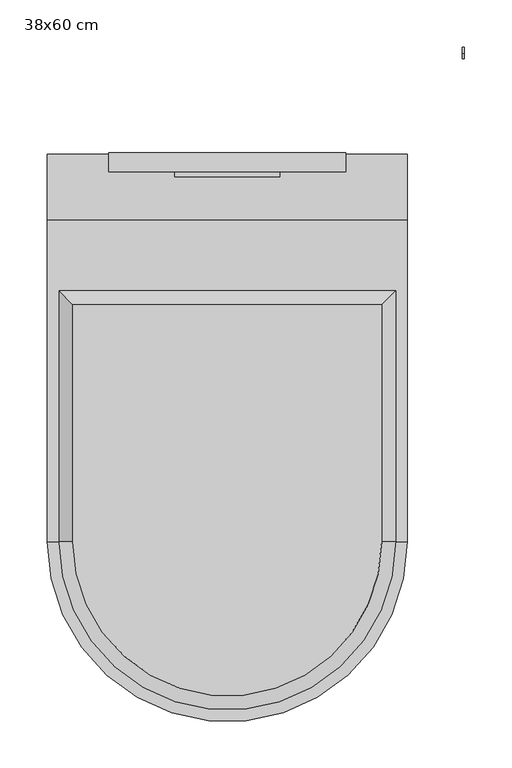
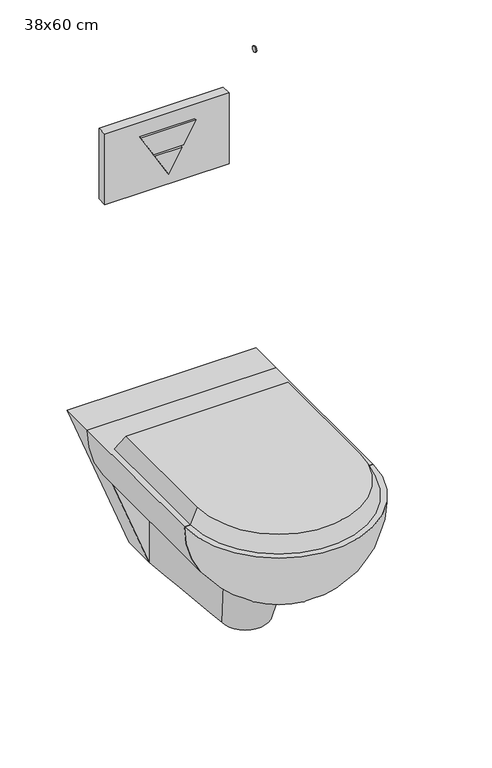
"""IFC4 building model written with IfcOpenShell, lengths in millimetres: flow terminal geometry, 38x60 cm."""

import ifcopenshell
import ifcopenshell.guid

model = None  # the IFC model being written
_history = None  # IfcOwnerHistory: only IFC2X3 demands one
_inside = {}  # id of a spatial element -> (the spatial element, [elements in it])
_under = {}  # id of a project, library or spatial element -> (it, [spatial elements below it])
_declared = {}  # id of a project -> (the project, [libraries it declares])
_typed = {}  # id of a type object -> (the type object, [elements of that type])
_made_of = {}  # id of a material, layer set ... -> (it, [elements and type objects made of it])


def new_model(schema):
    """Start an empty IFC model of exactly this schema.

    Asked for "IFC4X3", IfcOpenShell would pick the latest addendum, in which some entities
    have other attributes; the version numbers below select the first issue.
    IFC2X3 requires an IfcOwnerHistory on every rooted entity: one is made here for all.
    """
    global model, _history
    if schema == "IFC4X3":
        model = ifcopenshell.file(schema_version=(4, 3, 0, 0))
    else:
        model = ifcopenshell.file(schema=schema)
    _inside.clear()
    _under.clear()
    _declared.clear()
    _typed.clear()
    _made_of.clear()
    _history = None
    if model.schema == "IFC2X3":
        org = make("IfcOrganization", Name="unknown")
        user = make(
            "IfcPersonAndOrganization",
            ThePerson=make("IfcPerson", FamilyName="unknown"),
            TheOrganization=org,
        )
        app = make(
            "IfcApplication",
            ApplicationDeveloper=org,
            Version="unknown",
            ApplicationFullName="unknown",
            ApplicationIdentifier="unknown",
        )
        _history = make(
            "IfcOwnerHistory",
            OwningUser=user,
            OwningApplication=app,
            ChangeAction="ADDED",
            CreationDate=0,
        )
    return model


def make(cls, **values):
    """One entity of the class cls with the attributes given. An attribute that is None is left unset."""
    return model.create_entity(
        cls, **{name: value for name, value in values.items() if value is not None}
    )


def rooted(cls, **values):
    """An entity with a GlobalId (a new one), such as an element, a storey or a relation."""
    return make(cls, GlobalId=ifcopenshell.guid.new(), OwnerHistory=_history, **values)


def si_unit(unit_type, name, prefix=None):
    """IfcSIUnit, for example si_unit("LENGTHUNIT", "METRE", prefix="MILLI")."""
    return make("IfcSIUnit", UnitType=unit_type, Prefix=prefix, Name=name)


def assignment(units):
    """IfcUnitAssignment: the units of a project."""
    return None if units is None else make("IfcUnitAssignment", Units=units)


def point(xyz):
    """IfcCartesianPoint."""
    return None if xyz is None else make("IfcCartesianPoint", Coordinates=xyz)


def direction(xyz):
    """IfcDirection."""
    return None if xyz is None else make("IfcDirection", DirectionRatios=xyz)


def frame(location, z_axis=None, x_axis=None):
    """IfcAxis2Placement3D, a coordinate frame: its origin and axes. An axis left out is left unset."""
    return make(
        "IfcAxis2Placement3D",
        Location=point(location),
        Axis=direction(z_axis),
        RefDirection=direction(x_axis),
    )


def frame_2d(location, x_axis=None):
    """IfcAxis2Placement2D, a coordinate frame in the plane: its origin and x axis."""
    return make(
        "IfcAxis2Placement2D", Location=point(location), RefDirection=direction(x_axis)
    )


def origin():
    """The frame at (0, 0, 0) with its axes left unset."""
    return frame((0.0, 0.0, 0.0))


def place(relative_to, where):
    """IfcLocalPlacement: puts the frame where relative to a parent placement (None: the world)."""
    return make(
        "IfcLocalPlacement", PlacementRelTo=relative_to, RelativePlacement=where
    )


def context(
    kind, dimensions, precision=None, world=None, true_north=None, identifier=None
):
    """IfcGeometricRepresentationContext, for example the 3D "Model" context."""
    return make(
        "IfcGeometricRepresentationContext",
        ContextIdentifier=identifier,
        ContextType=kind,
        CoordinateSpaceDimension=dimensions,
        Precision=precision,
        WorldCoordinateSystem=world,
        TrueNorth=true_north,
    )


def project(units=None, contexts=None):
    """IfcProject with its units and contexts."""
    return rooted(
        "IfcProject",
        Name="project",
        RepresentationContexts=contexts,
        UnitsInContext=assignment(units),
    )


def spatial(cls, under=None, at=None, **own):
    """A site, building, storey or space (cls), placed at a placement, below another one or the project."""
    s = rooted(cls, ObjectPlacement=at, **own)
    if under is not None:
        _under.setdefault(under.id(), (under, []))[1].append(s)
    return s


def polyline(points):
    """IfcPolyline through the points."""
    return make("IfcPolyline", Points=[point(p) for p in points])


def circle_curve(where, radius):
    """IfcCircle in the frame where."""
    return make("IfcCircle", Position=where, Radius=radius)


def ellipse_curve(where, semi_axis1, semi_axis2):
    """IfcEllipse in the frame where."""
    return make(
        "IfcEllipse", Position=where, SemiAxis1=semi_axis1, SemiAxis2=semi_axis2
    )


def trimmed(basis, trim1, trim2, sense, master):
    """IfcTrimmedCurve: the piece of a basis curve between two trims."""
    return make(
        "IfcTrimmedCurve",
        BasisCurve=basis,
        Trim1=trim1,
        Trim2=trim2,
        SenseAgreement=sense,
        MasterRepresentation=master,
    )


def segment(curve, same_sense, transition):
    """IfcCompositeCurveSegment."""
    return make(
        "IfcCompositeCurveSegment",
        Transition=transition,
        SameSense=same_sense,
        ParentCurve=curve,
    )


def composite_curve(segments, self_intersect=None):
    """IfcCompositeCurve: segments joined end to end."""
    return make("IfcCompositeCurve", Segments=segments, SelfIntersect=self_intersect)


def outline(outer, holes=None, kind="AREA"):
    """IfcArbitraryClosedProfileDef: a profile drawn as a closed curve; with holes, ...WithVoids."""
    if holes is None:
        return make("IfcArbitraryClosedProfileDef", ProfileType=kind, OuterCurve=outer)
    return make(
        "IfcArbitraryProfileDefWithVoids",
        ProfileType=kind,
        OuterCurve=outer,
        InnerCurves=holes,
    )


def extrude(swept, where, along, depth):
    """IfcExtrudedAreaSolid: the profile swept, set in the frame where, extruded along a direction by depth."""
    return make(
        "IfcExtrudedAreaSolid",
        SweptArea=swept,
        Position=where,
        ExtrudedDirection=direction(along),
        Depth=depth,
    )


def shape(context_of_items, identifier, shape_type, items):
    """IfcShapeRepresentation: the items that make up one representation, for example the "Body"."""
    return make(
        "IfcShapeRepresentation",
        ContextOfItems=context_of_items,
        RepresentationIdentifier=identifier,
        RepresentationType=shape_type,
        Items=items,
    )


def source(mapping_origin, context_of_items, identifier, shape_type, items):
    """IfcRepresentationMap: a shape defined once, which mapped items show again and again."""
    return make(
        "IfcRepresentationMap",
        MappingOrigin=mapping_origin,
        MappedRepresentation=shape(context_of_items, identifier, shape_type, items),
    )


def transform(
    local_origin,
    x_axis=None,
    y_axis=None,
    z_axis=None,
    scale=None,
    scale2=None,
    scale3=None,
    uniform=True,
):
    """IfcCartesianTransformationOperator3D, or its non-uniform kind. x_axis, y_axis, z_axis: its Axis1, 2, 3."""
    if uniform:
        return make(
            "IfcCartesianTransformationOperator3D",
            Axis1=direction(x_axis),
            Axis2=direction(y_axis),
            LocalOrigin=point(local_origin),
            Scale=scale,
            Axis3=direction(z_axis),
        )
    return make(
        "IfcCartesianTransformationOperator3DnonUniform",
        Axis1=direction(x_axis),
        Axis2=direction(y_axis),
        LocalOrigin=point(local_origin),
        Scale=scale,
        Axis3=direction(z_axis),
        Scale2=scale2,
        Scale3=scale3,
    )


def mapped(mapping_source, mapping_target):
    """IfcMappedItem: shows the shape of a source again, moved by a transform."""
    return make(
        "IfcMappedItem", MappingSource=mapping_source, MappingTarget=mapping_target
    )


def made_of(thing, what):
    """Note that an element or type object is made of a material, layer set ...; save() writes the relation."""
    if what is not None:
        _made_of.setdefault(what.id(), (what, []))[1].append(thing)
    return thing


def element(
    cls,
    number,
    at=None,
    inside=None,
    cuts=None,
    type_object=None,
    material=None,
    context=None,
    identifier="Body",
    shape_type=None,
    held_by="IfcProductDefinitionShape",
    body=None,
    shapes=None,
    **own,
):
    """One element of the class cls, such as IfcWall. Its Tag is "e" and its number.

    at: its placement. inside: the storey or other place that contains it. cuts: it is an
    opening in that element (IfcRelVoidsElement). A single representation is given by context,
    identifier, shape_type and body (its items); several are given by shapes. held_by: the class
    of the entity that holds the representations. save() writes the other relations.
    """
    e = rooted(cls, Tag="e%d" % number, ObjectPlacement=at, **own)
    if body is not None:
        shapes = [shape(context, identifier, shape_type, body)]
    if shapes is not None:
        e.Representation = make(held_by, Representations=shapes)
    if inside is not None:
        _inside.setdefault(inside.id(), (inside, []))[1].append(e)
    if cuts is not None:
        rooted(
            "IfcRelVoidsElement", RelatingBuildingElement=cuts, RelatedOpeningElement=e
        )
    if type_object is not None:
        _typed.setdefault(type_object.id(), (type_object, []))[1].append(e)
    return made_of(e, material)


def aggregate(whole, parts):
    """IfcRelAggregates: a whole, such as a stair, and the parts it consists of."""
    return rooted("IfcRelAggregates", RelatingObject=whole, RelatedObjects=parts)


def save(model, path):
    """Write the relations noted so far, then the file.

    IfcRelAggregates (storeys below a building ...), IfcRelContainedInSpatialStructure (elements
    in a storey), IfcRelDefinesByType, IfcRelAssociatesMaterial and IfcRelDeclares: one each for
    every whole, place, type object, material and project.
    """
    for whole, parts in _under.values():
        aggregate(whole, parts)
    for where, things in _inside.values():
        rooted(
            "IfcRelContainedInSpatialStructure",
            RelatedElements=things,
            RelatingStructure=where,
        )
    for kind, things in _typed.values():
        rooted("IfcRelDefinesByType", RelatedObjects=things, RelatingType=kind)
    for what, things in _made_of.values():
        rooted("IfcRelAssociatesMaterial", RelatedObjects=things, RelatingMaterial=what)
    for by, libraries in _declared.values():
        rooted("IfcRelDeclares", RelatingContext=by, RelatedDefinitions=libraries)
    model.write(path)


def plane_surface(at):
    """IfcPlane: the flat surface through the origin of the frame at, square to its z axis."""
    return make("IfcPlane", Position=at)


def revolved_surface(curve, axis_point, axis_direction):
    """IfcSurfaceOfRevolution: the curve turned about the line through axis_point along axis_direction."""
    return make(
        "IfcSurfaceOfRevolution",
        SweptCurve=make("IfcArbitraryOpenProfileDef", ProfileType="CURVE", Curve=curve),
        AxisPosition=make("IfcAxis1Placement", Location=point(axis_point), Axis=direction(axis_direction)),
    )


def spline_surface(u_degree, v_degree, points, u_multiplicities, v_multiplicities, u_knots, v_knots, weights=None):
    """IfcBSplineSurfaceWithKnots; with weights, IfcRationalBSplineSurfaceWithKnots. points: one row for each step in u."""
    own = dict(
        UDegree=u_degree,
        VDegree=v_degree,
        ControlPointsList=[[point(p) for p in row] for row in points],
        SurfaceForm="UNSPECIFIED",
        UClosed=False,
        VClosed=False,
        SelfIntersect=False,
        UMultiplicities=u_multiplicities,
        VMultiplicities=v_multiplicities,
        UKnots=u_knots,
        VKnots=v_knots,
        KnotSpec="UNSPECIFIED",
    )
    if weights is None:
        return make("IfcBSplineSurfaceWithKnots", **own)
    return make("IfcRationalBSplineSurfaceWithKnots", WeightsData=weights, **own)


def advanced_brep(points, edges, surfaces, faces):
    """IfcAdvancedBrep: a solid bounded by faces that lie on surfaces and meet in shared edges.

    An edge is (start, end): straight between two places in points (the first is 0);
    or (start, end, curve); or (start, end, curve, False) where it runs against its curve.
    A face is (place in surfaces, loops), or (place, loops, False) where it looks against
    its surface's normal. A loop lists edges by number (the first is 1), with a minus sign
    where the edge is run from its end to its start. The first loop is the outer one.
    """
    corners = [point(p) for p in points]
    vertices = [make("IfcVertexPoint", VertexGeometry=c) for c in corners]
    made = []
    for start, end, *more in edges:
        made.append(
            make(
                "IfcEdgeCurve",
                EdgeStart=vertices[start],
                EdgeEnd=vertices[end],
                EdgeGeometry=more[0] if more else make("IfcPolyline", Points=[corners[start], corners[end]]),
                SameSense=more[1] if len(more) > 1 else True,
            )
        )
    hull = []
    for where, loops, *sense in faces:
        bounds = []
        for j, loop in enumerate(loops):
            ring = [make("IfcOrientedEdge", EdgeElement=made[abs(k) - 1], Orientation=k > 0) for k in loop]
            bounds.append(
                make(
                    "IfcFaceOuterBound" if j == 0 else "IfcFaceBound",
                    Bound=make("IfcEdgeLoop", EdgeList=ring),
                    Orientation=True,
                )
            )
        hull.append(make("IfcAdvancedFace", Bounds=bounds, FaceSurface=surfaces[where], SameSense=sense[0] if sense else True))
    return make("IfcAdvancedBrep", Outer=make("IfcClosedShell", CfsFaces=hull))


def flow_terminal_38x60_cm_9b64988a(model_context):
    return source(origin(), model_context, "Body", "SolidModel", [
        extrude(outline(composite_curve([segment(trimmed(circle_curve(frame_2d((105.5, 918.0)), 6.0), [point((105.5, 912.0))], [point((105.5, 924.0))], False, "CARTESIAN"), True, "CONTINUOUS"), segment(trimmed(circle_curve(frame_2d((105.5, 918.0)), 6.0), [point((105.5, 924.0))], [point((105.5, 912.0))], False, "CARTESIAN"), True, "CONTINUOUS")], self_intersect=False)), frame((248.0, 0.0, 0.0), z_axis=(1.0, 0.0, 0.0), x_axis=(0.0, 1.0, 0.0)), (0.0, 0.0, 1.0), 2.0),
        extrude(outline(polyline([(914.0, 55.4118563), (914.0, -55.4118563), (870.4569939, -30.1873925), (870.4569939, 30.1873925), (914.0, 55.4118563)])), frame((0.0, -25.0, 0.0), z_axis=(0.0, 1.0, 0.0), x_axis=(0.0, 0.0, 1.0)), (0.0, 0.0, 1.0), 5.0),
        extrude(outline(polyline([(866.1734373, -27.7059281), (818.3468746, 0.0), (866.1734373, 27.7059281), (866.1734373, -27.7059281)])), frame((0.0, -25.0, 0.0), z_axis=(0.0, 1.0, 0.0), x_axis=(0.0, 0.0, 1.0)), (0.0, 0.0, 1.0), 5.0),
        extrude(outline(polyline([(125.0, -20.0), (-125.0, -20.0), (-125.0, 0.0), (125.0, 0.0), (125.0, -20.0)])), frame((0.0, 0.0, 794.0), z_axis=(0.0, 0.0, 1.0), x_axis=(1.0, 0.0, 0.0)), (0.0, 0.0, 1.0), 150.0),
        extrude(outline(composite_curve([segment(trimmed(circle_curve(frame_2d((368.0, 0.0)), 190.0), [point((368.0, -190.0))], [point((178.0, 0.0))], False, "CARTESIAN"), True, "CONTINUOUS"), segment(trimmed(circle_curve(frame_2d((368.0, 0.0)), 190.0), [point((178.0, 0.0))], [point((368.0, 190.0))], False, "CARTESIAN"), True, "CONTINUOUS"), segment(polyline([(368.0, 190.0), (368.0, -190.0)]), True, "CONTINUOUS")], self_intersect=False)), frame((0.0, -410.0, 0.0), z_axis=(0.0, 1.0, 0.0), x_axis=(0.0, 0.0, 1.0)), (0.0, 0.0, 1.0), 339.0),
        advanced_brep(
        [(0.0, -410.0, 178.0), (0.0, -410.0, 368.0), (190.0, -410.0, 368.0), (-190.0, -410.0, 368.0)],
        [
            (0, 1),
            (1, 2),
            (2, 0, circle_curve(frame((0.0, -410.0, 368.0), z_axis=(0.0, 1.0, 0.0), x_axis=(-1.0, 0.0, 0.0)), 190.0)),
            (0, 3, circle_curve(frame((0.0, -410.0, 368.0), z_axis=(0.0, 1.0, 0.0), x_axis=(1.0, 0.0, 0.0)), 190.0)),
            (3, 1),
            (3, 2, circle_curve(frame((0.0, -410.0, 368.0), z_axis=(0.0, 0.0, 1.0), x_axis=(1.0, 0.0, 0.0)), 190.0)),
        ],
        [
            plane_surface(frame((0.0, -410.0, 139.6737292), z_axis=(0.0, 1.0, 0.0), x_axis=(1.0, 0.0, 0.0))),
            plane_surface(frame((0.0, -410.0, 139.6737292), z_axis=(0.0, 1.0, 0.0), x_axis=(-1.0, 0.0, 0.0))),
            plane_surface(frame((0.0, -410.0, 368.0), z_axis=(0.0, 0.0, 1.0), x_axis=(1.0, 0.0, 0.0))),
            revolved_surface(trimmed(ellipse_curve(frame((0.0, -410.0, 368.0), z_axis=(0.0, 1.0, 0.0), x_axis=(-1.0, 0.0, 0.0)), 190.0, 190.0), [point((190.0, -410.0, 368.0))], [point((0.0, -410.0, 178.0))], True, "CARTESIAN"), (0.0, -410.0, 139.6737292), (0.0, 0.0, -1.0)),
        ],
        [
            (0, [[1, 2, 3]]),
            (1, [[4, 5, -1]]),
            (2, [[6, -2, -5]]),
            (3, [[-3, -6, -4]]),
        ],
    ),
        extrude(outline(composite_curve([segment(trimmed(circle_curve(frame_2d((154.0, 0.0)), 50.0), [point((154.0, -50.0))], [point((154.0, 50.0))], False, "CARTESIAN"), True, "CONTINUOUS"), segment(trimmed(circle_curve(frame_2d((154.0, 0.0)), 50.0), [point((154.0, 50.0))], [point((154.0, -50.0))], False, "CARTESIAN"), True, "CONTINUOUS")], self_intersect=False)), frame((0.0, -1.0, 0.0), z_axis=(0.0, 1.0, 0.0), x_axis=(0.0, 0.0, 1.0)), (0.0, 0.0, 1.0), 1.0),
        extrude(outline(polyline([(44.0, -65.5172414), (44.0, 65.5172414), (368.0, 190.0), (368.0, -190.0), (44.0, -65.5172414)])), frame((0.0, -71.0, 0.0), z_axis=(0.0, 1.0, 0.0), x_axis=(0.0, 0.0, 1.0)), (0.0, 0.0, 1.0), 70.0),
        advanced_brep(
        [(-163.0, -410.0, 400.0), (163.0, -410.0, 400.0), (163.0, -160.0, 400.0), (-163.0, -160.0, 400.0), (-178.0, -410.0, 368.0), (-178.0, -145.0, 368.0), (178.0, -145.0, 368.0), (178.0, -410.0, 368.0)],
        [
            (0, 1, circle_curve(frame((0.0, -410.0, 400.0), z_axis=(0.0, 0.0, 1.0), x_axis=(-1.0, 0.0, 0.0)), 163.0)),
            (1, 2),
            (2, 3),
            (3, 0),
            (4, 5),
            (5, 6),
            (6, 7),
            (7, 4, circle_curve(frame((0.0, -410.0, 368.0), z_axis=(0.0, 0.0, -1.0), x_axis=(-1.0, 0.0, 0.0)), 178.0)),
            (7, 1),
            (0, 4),
            (6, 2),
            (5, 3),
        ],
        [
            plane_surface(frame((0.0, -285.0, 400.0), z_axis=(0.0, 0.0, 1.0), x_axis=(0.0, -1.0, 0.0))),
            plane_surface(frame((0.0, -277.5, 368.0), z_axis=(0.0, 0.0, -1.0), x_axis=(0.0, -1.0, 0.0))),
            revolved_surface(polyline([(-162.99999999868328, -410.0, 400.0), (-178.0, -410.0, 368.0)]), (0.0, -410.0, 747.7333333), (0.0, 0.0, -1.0)),
            plane_surface(frame((178.0, -277.5, 368.0), z_axis=(0.9054589359588644, 0.0, 0.42443387623072815), x_axis=(0.0, 1.0, 0.0))),
            plane_surface(frame((0.0, -145.0, 368.0), z_axis=(0.0, 0.9054589359588615, 0.4244338762307345), x_axis=(-1.0, 0.0, 0.0))),
            plane_surface(frame((-178.0, -277.5, 368.0), z_axis=(-0.9054589359588644, 0.0, 0.42443387623072815), x_axis=(0.0, -1.0, 0.0))),
        ],
        [
            (0, [[1, 2, 3, 4]]),
            (1, [[5, 6, 7, 8]]),
            (2, [[-8, 9, -1, 10]]),
            (3, [[-7, 11, -2, -9]]),
            (4, [[-6, 12, -3, -11]]),
            (5, [[-5, -10, -4, -12]]),
        ],
    ),
        advanced_brep(
        [(-65.5172414, -334.4827586, 210.0), (65.5172414, -334.4827586, 210.0), (65.5172414, -71.0, 210.0), (-65.5172414, -71.0, 210.0), (-46.954023, -293.045977, 44.0), (-65.5172414, -71.0, 44.0), (65.5172414, -71.0, 44.0), (46.954023, -293.045977, 44.0)],
        [
            (0, 1, circle_curve(frame((0.0, -334.4827586, 210.0), z_axis=(0.0, 0.0, 1.0), x_axis=(1.0, 0.0, 0.0)), 65.5172414)),
            (1, 2),
            (2, 3),
            (3, 0),
            (4, 5),
            (5, 6),
            (6, 7),
            (7, 4, circle_curve(frame((0.0, -293.045977, 44.0), z_axis=(0.0, 0.0, -1.0), x_axis=(1.0, 0.0, 0.0)), 46.954023)),
            (7, 1),
            (0, 4),
            (6, 2),
            (5, 3),
        ],
        [
            plane_surface(frame((0.0, -202.7413793, 210.0), z_axis=(0.0, 0.0, 1.0), x_axis=(0.0, -1.0, 0.0))),
            plane_surface(frame((0.0, -182.0229885, 44.0), z_axis=(0.0, 0.0, -1.0), x_axis=(0.0, -1.0, 0.0))),
            spline_surface(2, 1, [[(-46.954023, -293.045977, 44.0), (-65.5172414, -334.4827586, 210.0)], [(-46.954023, -340.0, 44.0), (-65.5172414, -400.0, 210.0)], [(0.0, -340.0, 44.0), (0.0, -400.0, 210.0)], [(46.954023, -340.0, 44.0), (65.5172414, -400.0, 210.0)], [(46.954023, -293.045977, 44.0), (65.5172414, -334.4827586, 210.0)]], [3, 2, 3], [2, 2], [0.0, 1.0, 2.0], [0.0, 1.0], weights=[[1.0, 1.0], [0.7071067811865476, 0.7071067811865476], [1.0, 1.0], [0.7071067811865476, 0.7071067811865476], [1.0, 1.0]]),
            spline_surface(1, 1, [[(46.954023, -293.045977, 44.0), (65.5172414, -334.4827586, 210.0)], [(65.5172414, -71.0, 44.0), (65.5172414, -71.0, 210.0)]], [2, 2], [2, 2], [0.0, 1.0], [0.0, 1.0]),
            plane_surface(frame((0.0, -71.0, 44.0), z_axis=(0.0, 1.0, 0.0), x_axis=(-1.0, 0.0, 0.0))),
            spline_surface(1, 1, [[(-65.5172414, -71.0, 44.0), (-65.5172414, -71.0, 210.0)], [(-46.954023, -293.045977, 44.0), (-65.5172414, -334.4827586, 210.0)]], [2, 2], [2, 2], [0.0, 1.0], [0.0, 1.0]),
        ],
        [
            (0, [[1, 2, 3, 4]]),
            (1, [[5, 6, 7, 8]]),
            (2, [[-8, 9, -1, 10]]),
            (3, [[-7, 11, -2, -9]]),
            (4, [[-6, 12, -3, -11]]),
            (5, [[-5, -10, -4, -12]]),
        ],
    ),
    ])


if __name__ == "__main__":
    model = new_model("IFC4")
    model_context = context("Model", 3, world=origin())
    ifc_project = project(units=[si_unit("LENGTHUNIT", "METRE", prefix="MILLI")], contexts=[model_context])
    site = spatial("IfcSite", under=ifc_project)
    building = spatial("IfcBuilding", under=site)
    placement = place(None, origin())
    flow_terminal_38x60_cm_shape = flow_terminal_38x60_cm_9b64988a(model_context)
    element("IfcFlowTerminal", 1, ObjectType="38x60 cm", at=placement, inside=building, context=model_context, shape_type="MappedRepresentation", body=[
        mapped(flow_terminal_38x60_cm_shape, transform((0.0, 0.0, 0.0), x_axis=(1.0, 0.0, 0.0), y_axis=(0.0, 1.0, 0.0), z_axis=(0.0, 0.0, 1.0))),
    ])
    save(model, "model.ifc")
